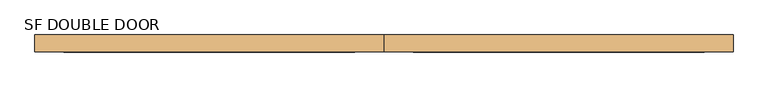
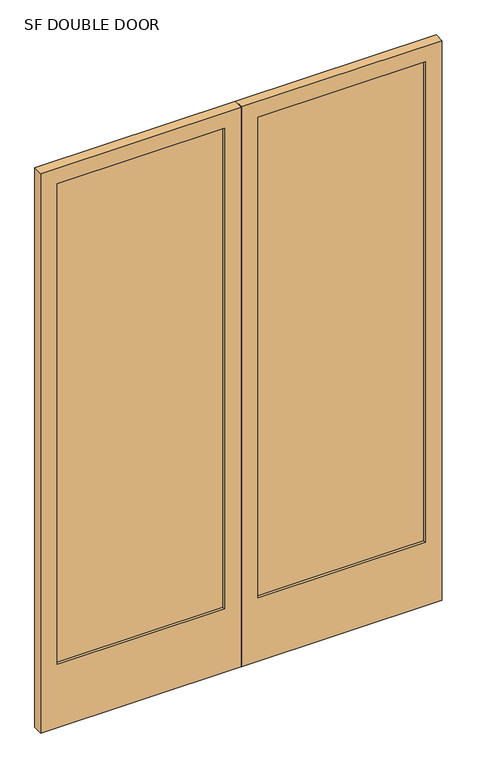
"""IFC4 building model written with IfcOpenShell, lengths in millimetres: door geometry, SF DOUBLE DOOR."""

from ifc_helpers import new_model, si_unit, frame, origin, place, context, project, spatial, polyline, outline, extrude, source, transform, mapped, element, save


def sf_double_door_d108c809(model_context):
    return source(origin(), model_context, "Body", "SweptSolid", [
        extrude(outline(polyline([(838.2, -25.4), (838.2, -44.45), (76.2, -44.45), (76.2, -25.4), (838.2, -25.4)])), frame((0.0, 0.0, 304.8), z_axis=(0.0, 0.0, 1.0), x_axis=(1.0, 0.0, 0.0)), (0.0, 0.0, 1.0), 2311.4),
        extrude(outline(polyline([(-76.2, -25.4), (-76.2, -44.45), (-838.2, -44.45), (-838.2, -25.4), (-76.2, -25.4)])), frame((0.0, 0.0, 304.8), z_axis=(0.0, 0.0, 1.0), x_axis=(1.0, 0.0, 0.0)), (0.0, 0.0, 1.0), 2311.4),
        extrude(outline(polyline([(2692.4, 0.79375), (0.0, 0.79375), (0.0, 914.4), (2692.4, 914.4), (2692.4, 0.79375)]), holes=[polyline([(2616.2, 76.2), (2616.2, 838.2), (304.8, 838.2), (304.8, 76.2), (2616.2, 76.2)])]), frame((0.0, -57.15, 0.0), z_axis=(0.0, 1.0, 0.0), x_axis=(0.0, 0.0, 1.0)), (0.0, 0.0, 1.0), 44.45),
        extrude(outline(polyline([(2692.4, -0.79375), (2692.4, -914.4), (0.0, -914.4), (0.0, -0.79375), (2692.4, -0.79375)]), holes=[polyline([(2616.2, -838.2), (2616.2, -76.2), (304.8, -76.2), (304.8, -838.2), (2616.2, -838.2)])]), frame((0.0, -57.15, 0.0), z_axis=(0.0, 1.0, 0.0), x_axis=(0.0, 0.0, 1.0)), (0.0, 0.0, 1.0), 44.45),
    ])


if __name__ == "__main__":
    model = new_model("IFC4")
    model_context = context("Model", 3, world=origin())
    ifc_project = project(units=[si_unit("LENGTHUNIT", "METRE", prefix="MILLI")], contexts=[model_context])
    site = spatial("IfcSite", under=ifc_project)
    building = spatial("IfcBuilding", under=site)
    placement = place(None, origin())
    sf_double_door_shape = sf_double_door_d108c809(model_context)
    element("IfcDoor", 1, ObjectType="SF DOUBLE DOOR", at=placement, inside=building, context=model_context, shape_type="MappedRepresentation", body=[
        mapped(sf_double_door_shape, transform((0.0, 0.0, 0.0), x_axis=(1.0, 0.0, 0.0), y_axis=(0.0, 1.0, 0.0), z_axis=(0.0, 0.0, 1.0))),
    ])
    save(model, "model.ifc")
